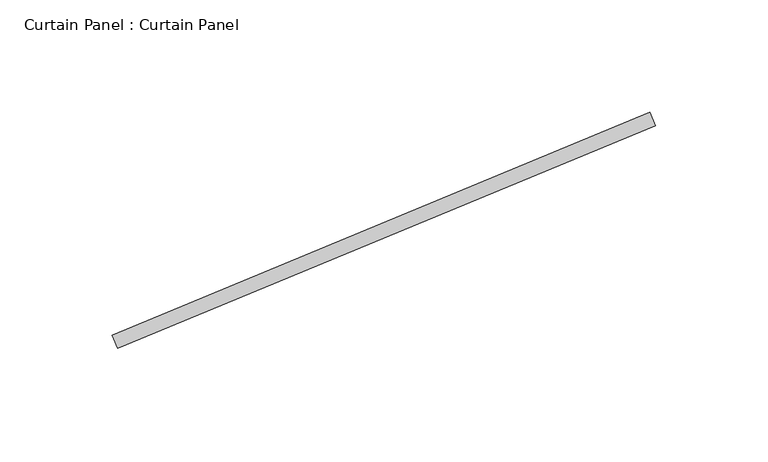
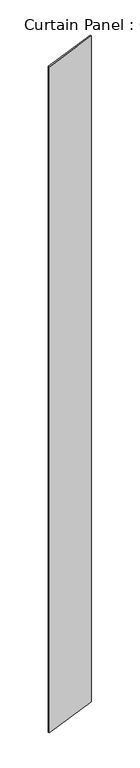
"""IFC4 building model written with IfcOpenShell, lengths in millimetres: plate geometry, Curtain Panel : Curtain Panel."""

from ifc_helpers import new_model, si_unit, origin, origin_with_axes, place, context, project, spatial, polyline, outline, extrude, source, transform, mapped, element, save


def curtain_panel_curtain_panel_c7c91a56(model_context):
    return source(origin(), model_context, "Body", "SweptSolid", [
        extrude(outline(polyline([(-141613.6593383, 8372.2518318), (-141374.5939607, 8471.2759535), (-141372.1639209, 8465.4093185), (-141611.2292985, 8366.3851968), (-141613.6593383, 8372.2518318)])), origin_with_axes(), (0.0, 0.0, 1.0), 3048.0),
    ])


if __name__ == "__main__":
    model = new_model("IFC4")
    model_context = context("Model", 3, world=origin())
    ifc_project = project(units=[si_unit("LENGTHUNIT", "METRE", prefix="MILLI")], contexts=[model_context])
    site = spatial("IfcSite", under=ifc_project)
    building = spatial("IfcBuilding", under=site)
    placement = place(None, origin())
    curtain_panel_curtain_panel_shape = curtain_panel_curtain_panel_c7c91a56(model_context)
    element("IfcPlate", 1, ObjectType="Curtain Panel : Curtain Panel", at=placement, inside=building, context=model_context, shape_type="MappedRepresentation", body=[
        mapped(curtain_panel_curtain_panel_shape, transform((0.0, 0.0, 0.0), x_axis=(1.0, 0.0, 0.0), y_axis=(0.0, 1.0, 0.0), z_axis=(0.0, 0.0, 1.0))),
    ])
    save(model, "model.ifc")
